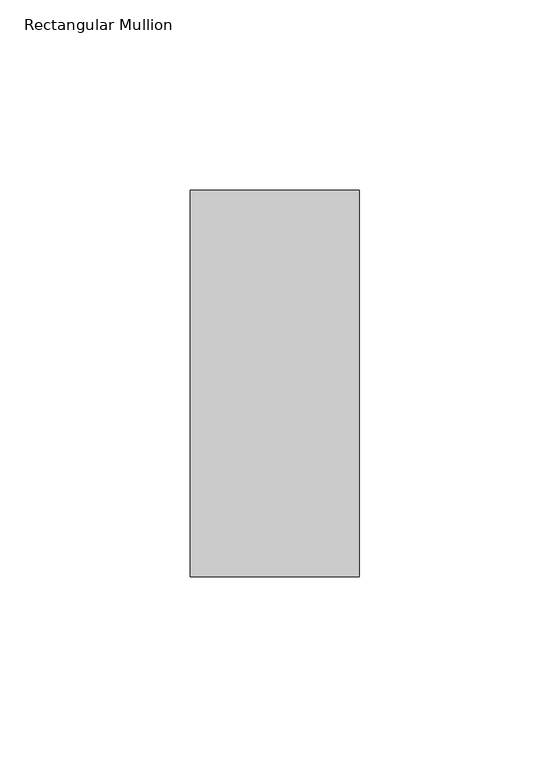
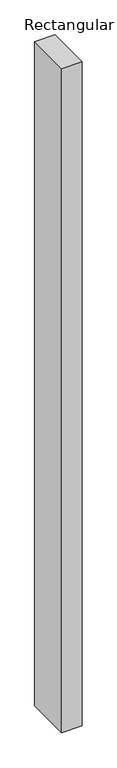
"""IFC4 building model written with IfcOpenShell, lengths in millimetres: member geometry, Rectangular Mullion."""

from ifc_helpers import new_model, si_unit, frame, origin, place, context, project, spatial, polyline, outline, extrude, source, transform, mapped, element, save


def rectangular_mullion_6ceb8441(model_context):
    return source(origin(), model_context, "Body", "SweptSolid", [
        extrude(outline(polyline([(-44.45, 50.8), (0.0, 50.8), (0.0, -50.8), (-44.45, -50.8), (-44.45, 50.8)])), frame((0.0, 0.0, -1524.0), z_axis=(0.0, 0.0, 1.0), x_axis=(1.0, 0.0, 0.0)), (0.0, 0.0, 1.0), 1524.0),
    ])


if __name__ == "__main__":
    model = new_model("IFC4")
    model_context = context("Model", 3, world=origin())
    ifc_project = project(units=[si_unit("LENGTHUNIT", "METRE", prefix="MILLI")], contexts=[model_context])
    site = spatial("IfcSite", under=ifc_project)
    building = spatial("IfcBuilding", under=site)
    placement = place(None, origin())
    rectangular_mullion_shape = rectangular_mullion_6ceb8441(model_context)
    element("IfcMember", 1, ObjectType="Rectangular Mullion", at=placement, inside=building, context=model_context, shape_type="MappedRepresentation", body=[
        mapped(rectangular_mullion_shape, transform((0.0, 0.0, 0.0), x_axis=(1.0, 0.0, 0.0), y_axis=(0.0, 1.0, 0.0), z_axis=(0.0, 0.0, 1.0))),
    ])
    save(model, "model.ifc")
